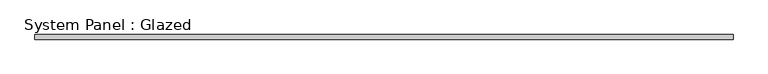
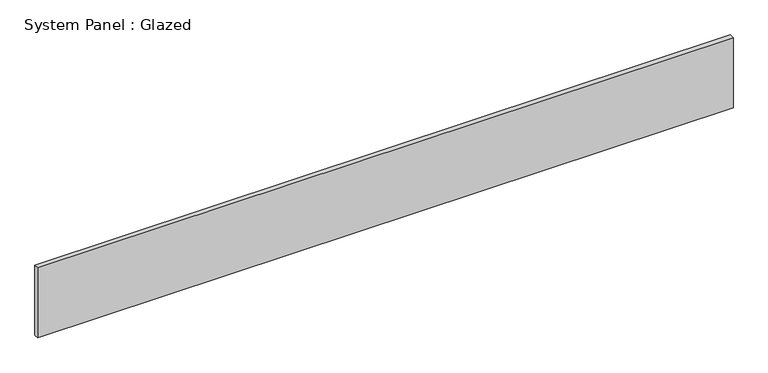
"""IFC4 building model written with IfcOpenShell, lengths in millimetres: plate geometry, System Panel : Glazed."""

from ifc_helpers import new_model, si_unit, origin, origin_with_axes, place, context, project, spatial, polyline, outline, extrude, source, transform, mapped, element, save


def system_panel_glazed_5d695be5(model_context):
    return source(origin(), model_context, "Body", "SweptSolid", [
        extrude(outline(polyline([(1879.0, -37.5), (-1879.0, -37.5), (-1879.0, -12.5), (1879.0, -12.5), (1879.0, -37.5)])), origin_with_axes(), (0.0, 0.0, 1.0), 400.0),
    ])


if __name__ == "__main__":
    model = new_model("IFC4")
    model_context = context("Model", 3, world=origin())
    ifc_project = project(units=[si_unit("LENGTHUNIT", "METRE", prefix="MILLI")], contexts=[model_context])
    site = spatial("IfcSite", under=ifc_project)
    building = spatial("IfcBuilding", under=site)
    placement = place(None, origin())
    system_panel_glazed_shape = system_panel_glazed_5d695be5(model_context)
    element("IfcPlate", 1, ObjectType="System Panel : Glazed", at=placement, inside=building, context=model_context, shape_type="MappedRepresentation", body=[
        mapped(system_panel_glazed_shape, transform((0.0, 0.0, 0.0), x_axis=(1.0, 0.0, 0.0), y_axis=(0.0, 1.0, 0.0), z_axis=(0.0, 0.0, 1.0))),
    ])
    save(model, "model.ifc")
